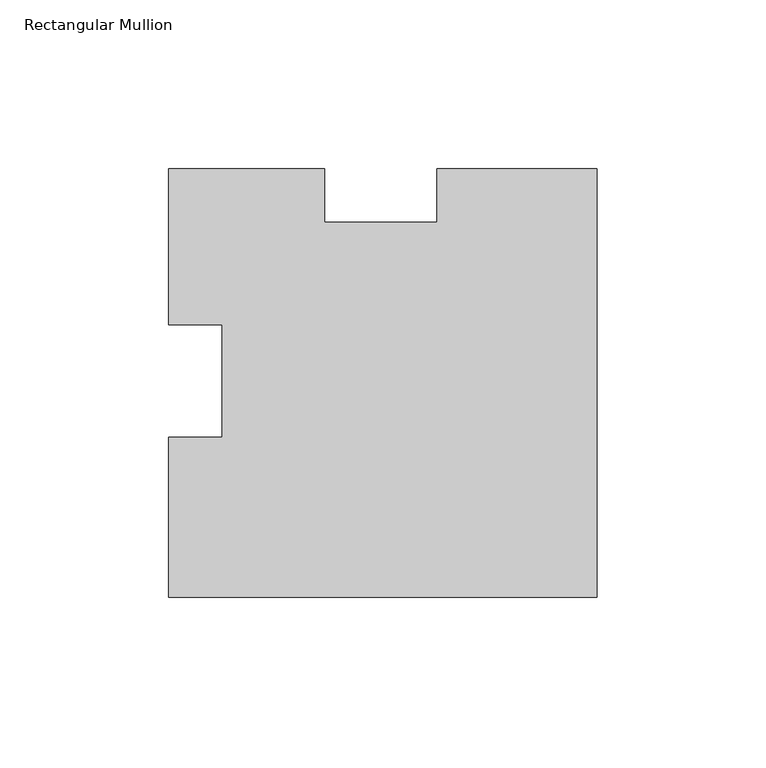
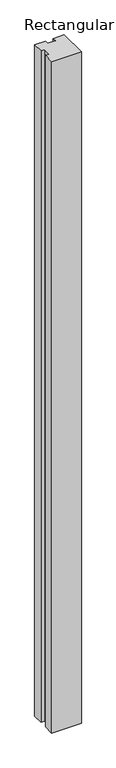
"""IFC4 building model written with IfcOpenShell, lengths in millimetres: member geometry, Rectangular Mullion."""

from ifc_helpers import new_model, si_unit, frame, origin, place, context, project, spatial, polyline, outline, extrude, source, transform, mapped, element, save


def rectangular_mullion_0faf53fb(model_context):
    return source(origin(), model_context, "Body", "SweptSolid", [
        extrude(outline(polyline([(0.0, -64.6938), (-127.0, -64.6938), (-127.0, -17.2339), (-111.125, -17.2339), (-111.125, 16.1249346), (-127.0, 16.1249346), (-127.0, 62.3062), (-80.8187346, 62.3062), (-80.8187346, 46.4312), (-47.4593888, 46.4312), (-47.4593888, 62.3062), (0.0, 62.3062), (0.0, -64.6938)])), frame((0.0, 0.0, -3048.0), z_axis=(0.0, 0.0, 1.0), x_axis=(1.0, 0.0, 0.0)), (0.0, 0.0, 1.0), 3048.0),
    ])


if __name__ == "__main__":
    model = new_model("IFC4")
    model_context = context("Model", 3, world=origin())
    ifc_project = project(units=[si_unit("LENGTHUNIT", "METRE", prefix="MILLI")], contexts=[model_context])
    site = spatial("IfcSite", under=ifc_project)
    building = spatial("IfcBuilding", under=site)
    placement = place(None, origin())
    rectangular_mullion_shape = rectangular_mullion_0faf53fb(model_context)
    element("IfcMember", 1, ObjectType="Rectangular Mullion", at=placement, inside=building, context=model_context, shape_type="MappedRepresentation", body=[
        mapped(rectangular_mullion_shape, transform((0.0, 0.0, 0.0), x_axis=(1.0, 0.0, 0.0), y_axis=(0.0, 1.0, 0.0), z_axis=(0.0, 0.0, 1.0))),
    ])
    save(model, "model.ifc")
